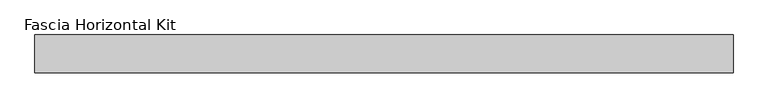
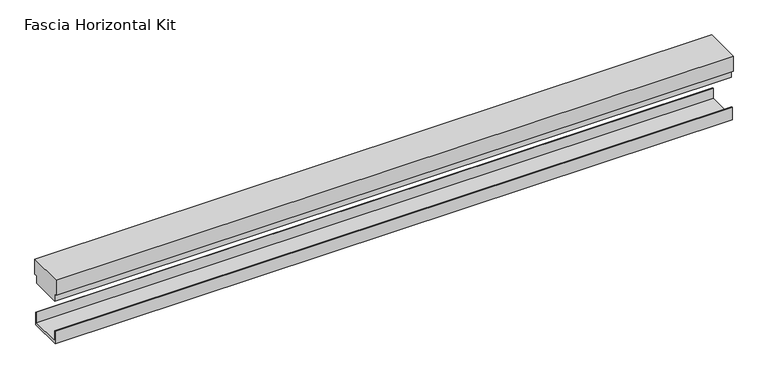
"""IFC4 building model written with IfcOpenShell, lengths in millimetres: proxy geometry, Fascia Horizontal Kit."""

from ifc_helpers import new_model, si_unit, frame, origin, place, context, project, spatial, polyline, outline, extrude, source, transform, mapped, element, save


def fascia_horizontal_kit_a7fa405c(model_context):
    return source(origin(), model_context, "Body", "SweptSolid", [
        extrude(outline(polyline([(-94.0992263, 4.58724), (-38.4021063, 4.58724), (-38.4021063, 23.2156), (-37.2438663, 23.2156), (-37.2438663, 0.0), (-95.2574663, 0.0), (-95.2574663, 23.2156), (-94.0992263, 23.2156), (-94.0992263, 4.58724)])), frame((-690.4904615, 0.0, 0.0), z_axis=(1.0, 0.0, 0.0), x_axis=(0.0, 1.0, 0.0)), (0.0, 0.0, 1.0), 1180.2962009),
        extrude(outline(polyline([(-98.4324663, 119.029), (-34.0688663, 119.029), (-34.0688663, 91.029), (-38.9546663, 91.029), (-38.9546663, 77.0336001), (-93.5466663, 77.0336001), (-93.5466663, 91.029), (-98.4324663, 91.029), (-98.4324663, 119.029)])), frame((-690.4904615, 0.0, 0.0), z_axis=(1.0, 0.0, 0.0), x_axis=(0.0, 1.0, 0.0)), (0.0, 0.0, 1.0), 1180.2962009),
    ])


if __name__ == "__main__":
    model = new_model("IFC4")
    model_context = context("Model", 3, world=origin())
    ifc_project = project(units=[si_unit("LENGTHUNIT", "METRE", prefix="MILLI")], contexts=[model_context])
    site = spatial("IfcSite", under=ifc_project)
    building = spatial("IfcBuilding", under=site)
    placement = place(None, origin())
    fascia_horizontal_kit_shape = fascia_horizontal_kit_a7fa405c(model_context)
    element("IfcBuildingElementProxy", 1, Name="Fascia Horizontal Kit", ObjectType="Fascia Horizontal Kit", at=placement, inside=building, context=model_context, shape_type="MappedRepresentation", body=[
        mapped(fascia_horizontal_kit_shape, transform((0.0, 0.0, 0.0), x_axis=(1.0, 0.0, 0.0), y_axis=(0.0, 1.0, 0.0), z_axis=(0.0, 0.0, 1.0))),
    ])
    save(model, "model.ifc")
